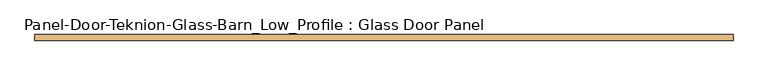
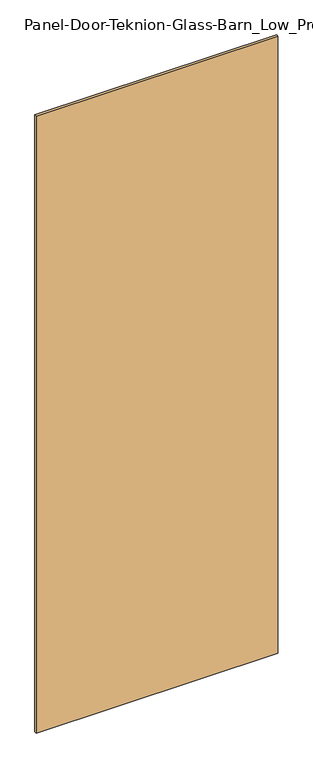
"""IFC4 building model written with IfcOpenShell, lengths in millimetres: door geometry, Panel-Door-Teknion-Glass-Barn_Low_Profile : Glass Door Panel."""

import ifcopenshell
import ifcopenshell.guid

model = None  # the IFC model being written
_history = None  # IfcOwnerHistory: only IFC2X3 demands one
_inside = {}  # id of a spatial element -> (the spatial element, [elements in it])
_under = {}  # id of a project, library or spatial element -> (it, [spatial elements below it])
_declared = {}  # id of a project -> (the project, [libraries it declares])
_typed = {}  # id of a type object -> (the type object, [elements of that type])
_made_of = {}  # id of a material, layer set ... -> (it, [elements and type objects made of it])


def new_model(schema):
    """Start an empty IFC model of exactly this schema.

    Asked for "IFC4X3", IfcOpenShell would pick the latest addendum, in which some entities
    have other attributes; the version numbers below select the first issue.
    IFC2X3 requires an IfcOwnerHistory on every rooted entity: one is made here for all.
    """
    global model, _history
    if schema == "IFC4X3":
        model = ifcopenshell.file(schema_version=(4, 3, 0, 0))
    else:
        model = ifcopenshell.file(schema=schema)
    _inside.clear()
    _under.clear()
    _declared.clear()
    _typed.clear()
    _made_of.clear()
    _history = None
    if model.schema == "IFC2X3":
        org = make("IfcOrganization", Name="unknown")
        user = make(
            "IfcPersonAndOrganization",
            ThePerson=make("IfcPerson", FamilyName="unknown"),
            TheOrganization=org,
        )
        app = make(
            "IfcApplication",
            ApplicationDeveloper=org,
            Version="unknown",
            ApplicationFullName="unknown",
            ApplicationIdentifier="unknown",
        )
        _history = make(
            "IfcOwnerHistory",
            OwningUser=user,
            OwningApplication=app,
            ChangeAction="ADDED",
            CreationDate=0,
        )
    return model


def make(cls, **values):
    """One entity of the class cls with the attributes given. An attribute that is None is left unset."""
    return model.create_entity(
        cls, **{name: value for name, value in values.items() if value is not None}
    )


def rooted(cls, **values):
    """An entity with a GlobalId (a new one), such as an element, a storey or a relation."""
    return make(cls, GlobalId=ifcopenshell.guid.new(), OwnerHistory=_history, **values)


def si_unit(unit_type, name, prefix=None):
    """IfcSIUnit, for example si_unit("LENGTHUNIT", "METRE", prefix="MILLI")."""
    return make("IfcSIUnit", UnitType=unit_type, Prefix=prefix, Name=name)


def assignment(units):
    """IfcUnitAssignment: the units of a project."""
    return None if units is None else make("IfcUnitAssignment", Units=units)


def point(xyz):
    """IfcCartesianPoint."""
    return None if xyz is None else make("IfcCartesianPoint", Coordinates=xyz)


def direction(xyz):
    """IfcDirection."""
    return None if xyz is None else make("IfcDirection", DirectionRatios=xyz)


def frame(location, z_axis=None, x_axis=None):
    """IfcAxis2Placement3D, a coordinate frame: its origin and axes. An axis left out is left unset."""
    return make(
        "IfcAxis2Placement3D",
        Location=point(location),
        Axis=direction(z_axis),
        RefDirection=direction(x_axis),
    )


def origin():
    """The frame at (0, 0, 0) with its axes left unset."""
    return frame((0.0, 0.0, 0.0))


def place(relative_to, where):
    """IfcLocalPlacement: puts the frame where relative to a parent placement (None: the world)."""
    return make(
        "IfcLocalPlacement", PlacementRelTo=relative_to, RelativePlacement=where
    )


def context(
    kind, dimensions, precision=None, world=None, true_north=None, identifier=None
):
    """IfcGeometricRepresentationContext, for example the 3D "Model" context."""
    return make(
        "IfcGeometricRepresentationContext",
        ContextIdentifier=identifier,
        ContextType=kind,
        CoordinateSpaceDimension=dimensions,
        Precision=precision,
        WorldCoordinateSystem=world,
        TrueNorth=true_north,
    )


def project(units=None, contexts=None):
    """IfcProject with its units and contexts."""
    return rooted(
        "IfcProject",
        Name="project",
        RepresentationContexts=contexts,
        UnitsInContext=assignment(units),
    )


def spatial(cls, under=None, at=None, **own):
    """A site, building, storey or space (cls), placed at a placement, below another one or the project."""
    s = rooted(cls, ObjectPlacement=at, **own)
    if under is not None:
        _under.setdefault(under.id(), (under, []))[1].append(s)
    return s


def polyline(points):
    """IfcPolyline through the points."""
    return make("IfcPolyline", Points=[point(p) for p in points])


def outline(outer, holes=None, kind="AREA"):
    """IfcArbitraryClosedProfileDef: a profile drawn as a closed curve; with holes, ...WithVoids."""
    if holes is None:
        return make("IfcArbitraryClosedProfileDef", ProfileType=kind, OuterCurve=outer)
    return make(
        "IfcArbitraryProfileDefWithVoids",
        ProfileType=kind,
        OuterCurve=outer,
        InnerCurves=holes,
    )


def extrude(swept, where, along, depth):
    """IfcExtrudedAreaSolid: the profile swept, set in the frame where, extruded along a direction by depth."""
    return make(
        "IfcExtrudedAreaSolid",
        SweptArea=swept,
        Position=where,
        ExtrudedDirection=direction(along),
        Depth=depth,
    )


def shape(context_of_items, identifier, shape_type, items):
    """IfcShapeRepresentation: the items that make up one representation, for example the "Body"."""
    return make(
        "IfcShapeRepresentation",
        ContextOfItems=context_of_items,
        RepresentationIdentifier=identifier,
        RepresentationType=shape_type,
        Items=items,
    )


def source(mapping_origin, context_of_items, identifier, shape_type, items):
    """IfcRepresentationMap: a shape defined once, which mapped items show again and again."""
    return make(
        "IfcRepresentationMap",
        MappingOrigin=mapping_origin,
        MappedRepresentation=shape(context_of_items, identifier, shape_type, items),
    )


def transform(
    local_origin,
    x_axis=None,
    y_axis=None,
    z_axis=None,
    scale=None,
    scale2=None,
    scale3=None,
    uniform=True,
):
    """IfcCartesianTransformationOperator3D, or its non-uniform kind. x_axis, y_axis, z_axis: its Axis1, 2, 3."""
    if uniform:
        return make(
            "IfcCartesianTransformationOperator3D",
            Axis1=direction(x_axis),
            Axis2=direction(y_axis),
            LocalOrigin=point(local_origin),
            Scale=scale,
            Axis3=direction(z_axis),
        )
    return make(
        "IfcCartesianTransformationOperator3DnonUniform",
        Axis1=direction(x_axis),
        Axis2=direction(y_axis),
        LocalOrigin=point(local_origin),
        Scale=scale,
        Axis3=direction(z_axis),
        Scale2=scale2,
        Scale3=scale3,
    )


def mapped(mapping_source, mapping_target):
    """IfcMappedItem: shows the shape of a source again, moved by a transform."""
    return make(
        "IfcMappedItem", MappingSource=mapping_source, MappingTarget=mapping_target
    )


def made_of(thing, what):
    """Note that an element or type object is made of a material, layer set ...; save() writes the relation."""
    if what is not None:
        _made_of.setdefault(what.id(), (what, []))[1].append(thing)
    return thing


def element(
    cls,
    number,
    at=None,
    inside=None,
    cuts=None,
    type_object=None,
    material=None,
    context=None,
    identifier="Body",
    shape_type=None,
    held_by="IfcProductDefinitionShape",
    body=None,
    shapes=None,
    **own,
):
    """One element of the class cls, such as IfcWall. Its Tag is "e" and its number.

    at: its placement. inside: the storey or other place that contains it. cuts: it is an
    opening in that element (IfcRelVoidsElement). A single representation is given by context,
    identifier, shape_type and body (its items); several are given by shapes. held_by: the class
    of the entity that holds the representations. save() writes the other relations.
    """
    e = rooted(cls, Tag="e%d" % number, ObjectPlacement=at, **own)
    if body is not None:
        shapes = [shape(context, identifier, shape_type, body)]
    if shapes is not None:
        e.Representation = make(held_by, Representations=shapes)
    if inside is not None:
        _inside.setdefault(inside.id(), (inside, []))[1].append(e)
    if cuts is not None:
        rooted(
            "IfcRelVoidsElement", RelatingBuildingElement=cuts, RelatedOpeningElement=e
        )
    if type_object is not None:
        _typed.setdefault(type_object.id(), (type_object, []))[1].append(e)
    return made_of(e, material)


def aggregate(whole, parts):
    """IfcRelAggregates: a whole, such as a stair, and the parts it consists of."""
    return rooted("IfcRelAggregates", RelatingObject=whole, RelatedObjects=parts)


def save(model, path):
    """Write the relations noted so far, then the file.

    IfcRelAggregates (storeys below a building ...), IfcRelContainedInSpatialStructure (elements
    in a storey), IfcRelDefinesByType, IfcRelAssociatesMaterial and IfcRelDeclares: one each for
    every whole, place, type object, material and project.
    """
    for whole, parts in _under.values():
        aggregate(whole, parts)
    for where, things in _inside.values():
        rooted(
            "IfcRelContainedInSpatialStructure",
            RelatedElements=things,
            RelatingStructure=where,
        )
    for kind, things in _typed.values():
        rooted("IfcRelDefinesByType", RelatedObjects=things, RelatingType=kind)
    for what, things in _made_of.values():
        rooted("IfcRelAssociatesMaterial", RelatedObjects=things, RelatingMaterial=what)
    for by, libraries in _declared.values():
        rooted("IfcRelDeclares", RelatingContext=by, RelatedDefinitions=libraries)
    model.write(path)


def panel_door_teknion_glass_barn_low_profile_glass_door_panel_56316243(model_context):
    return source(origin(), model_context, "Body", "SweptSolid", [
        extrude(outline(polyline([(525.9049212, -4.5085), (-525.9049212, -4.5085), (-525.9049212, 4.5085), (525.9049212, 4.5085), (525.9049212, -4.5085)])), frame((0.0, 0.0, 86.8426), z_axis=(0.0, 0.0, 1.0), x_axis=(1.0, 0.0, 0.0)), (0.0, 0.0, 1.0), 2838.77766),
    ])


if __name__ == "__main__":
    model = new_model("IFC4")
    model_context = context("Model", 3, world=origin())
    ifc_project = project(units=[si_unit("LENGTHUNIT", "METRE", prefix="MILLI")], contexts=[model_context])
    site = spatial("IfcSite", under=ifc_project)
    building = spatial("IfcBuilding", under=site)
    placement = place(None, origin())
    panel_door_teknion_glass_barn_low_profile_glass_door_panel_shape = panel_door_teknion_glass_barn_low_profile_glass_door_panel_56316243(model_context)
    element("IfcDoor", 1, ObjectType="Panel-Door-Teknion-Glass-Barn_Low_Profile : Glass Door Panel", at=placement, inside=building, context=model_context, shape_type="MappedRepresentation", body=[
        mapped(panel_door_teknion_glass_barn_low_profile_glass_door_panel_shape, transform((0.0, 0.0, 0.0), x_axis=(1.0, 0.0, 0.0), y_axis=(0.0, 1.0, 0.0), z_axis=(0.0, 0.0, 1.0))),
    ])
    save(model, "model.ifc")
